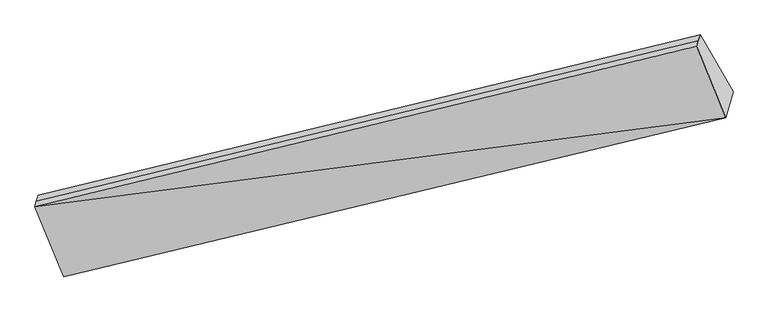
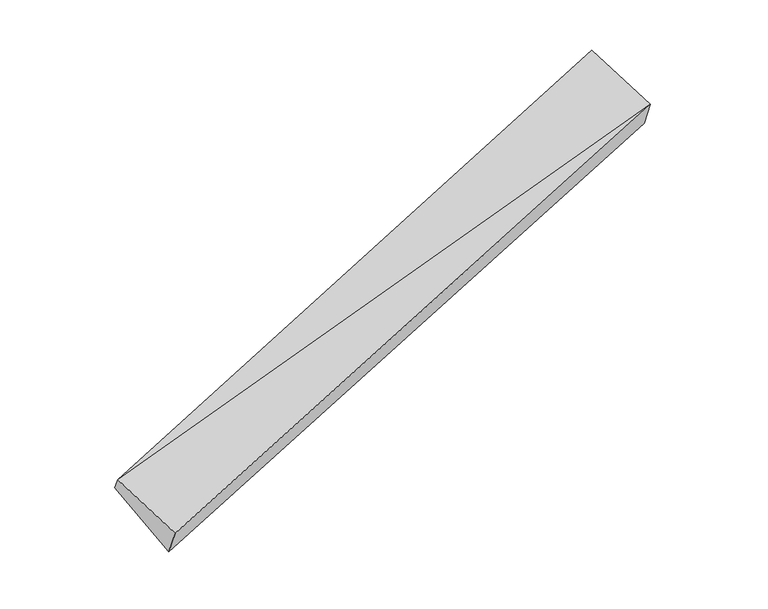
"""IFC4 building model written with IfcOpenShell, lengths in millimetres: proxy geometry."""

from ifc_helpers import new_model, si_unit, frame, origin, place, context, project, spatial, source, transform, mapped, element, save
from ifc_brep_helpers import plane_surface, spline_surface, advanced_brep


def generic_models_76396fdf(model_context):
    return source(origin(), model_context, "Body", "AdvancedBrep", [
        advanced_brep(
        [(-11618.2350351, -2880.9494217, -381.2885796), (-11658.658752, -3023.682192, -151.3105972), (5240.4394545, 1075.0745619, 5348.3828272), (5281.5465004, 1220.2201096, 5114.5172605), (-10926.7290472, -4811.2867587, -1064.6796965), (5978.2732126, -750.1815027, 4444.9197973), (-10741.3981839, -4156.8989503, -2119.0611643), (6166.826498, -84.4155909, 3372.2053759), (-11573.3800659, -2722.5702697, -636.4767731), (5322.6535463, 1365.3656573, 4880.6516938)],
        [
            (0, 1),
            (1, 2),
            (2, 3),
            (3, 0),
            (1, 4),
            (4, 5),
            (5, 1),
            (4, 6),
            (6, 7),
            (7, 5),
            (6, 8),
            (8, 9),
            (9, 7),
            (8, 0),
            (3, 9),
            (2, 5),
        ],
        [
            plane_surface(frame((-11638.4468936, -2952.3158068, -266.2995884), z_axis=(-0.3461280378536738, 0.8231889023702232, 0.4500615651508945), x_axis=(-0.1477084065580001, -0.5215460541118774, 0.8403403715593029))),
            plane_surface(frame((-11292.6938996, -3917.4844753, -607.9951469), z_axis=(-0.1575523942183844, -0.49970555987256393, 0.8517462042818287), x_axis=(0.3425511824695488, -0.8366186725900093, -0.4274668221773999))),
            plane_surface(frame((-10834.0636155, -4484.0928545, -1591.8704304), z_axis=(0.34467578489706574, -0.8235395125131079, -0.45053443224160405), x_axis=(0.1477084065580218, 0.5215460541118937, -0.840340371559289))),
            spline_surface(1, 1, [[(-10741.3981839, -4156.8989503, -2119.0611643), (6166.826498, -84.4155909, 3372.2053759)], [(-11573.3800659, -2722.5702697, -636.4767731), (5322.6535463, 1365.3656573, 4880.6516938)]], [2, 2], [2, 2], [0.0, 1.0], [0.0, 1.0]),
            plane_surface(frame((-11595.8075505, -2801.7598457, -508.8826764), z_axis=(-0.34612803785367363, 0.8231889023702232, 0.45006156515089474), x_axis=(-0.1477084065580488, -0.5215460541118893, 0.8403403715592869))),
            plane_surface(frame((5677.0481779, 401.4607814, 4511.5399236), z_axis=(0.9263138772480087, 0.2247982092631659, 0.30233816485821813), x_axis=(-0.37417661337459135, 0.642610304575648, 0.6686133848919826))),
            plane_surface(frame((-11225.0415123, -3678.6095427, -992.8820578), z_axis=(-0.9263138772480042, -0.22479820926317023, -0.3023381648582284), x_axis=(0.14770840655802742, 0.5215460541118934, -0.8403403715592882))),
            plane_surface(frame((-11658.658752, -3023.682192, -151.3105972), z_axis=(-0.16036106131517697, -0.48917680763088905, 0.8573157999768359), x_axis=(0.340619955659674, -0.8426269914340063, -0.41708248478361787))),
        ],
        [
            (0, [[1, 2, 3, 4]]),
            (1, [[5, 6, 7]]),
            (2, [[8, 9, 10, -6]]),
            (3, [[11, 12, 13, -9]]),
            (4, [[14, -4, 15, -12]]),
            (5, [[-13, -15, -3, 16, -10]]),
            (6, [[-14, -11, -8, -5, -1]]),
            (7, [[-16, -2, -7]]),
        ],
    ),
    ])


if __name__ == "__main__":
    model = new_model("IFC4")
    model_context = context("Model", 3, world=origin())
    ifc_project = project(units=[si_unit("LENGTHUNIT", "METRE", prefix="MILLI")], contexts=[model_context])
    site = spatial("IfcSite", under=ifc_project)
    building = spatial("IfcBuilding", under=site)
    placement = place(None, origin())
    generic_models_shape = generic_models_76396fdf(model_context)
    element("IfcBuildingElementProxy", 1, Name="Generic Models", at=placement, inside=building, context=model_context, shape_type="MappedRepresentation", body=[
        mapped(generic_models_shape, transform((0.0, 0.0, 0.0), x_axis=(1.0, 0.0, 0.0), y_axis=(0.0, 1.0, 0.0), z_axis=(0.0, 0.0, 1.0))),
    ])
    save(model, "model.ifc")
